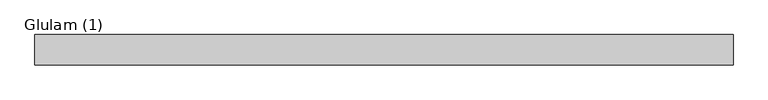
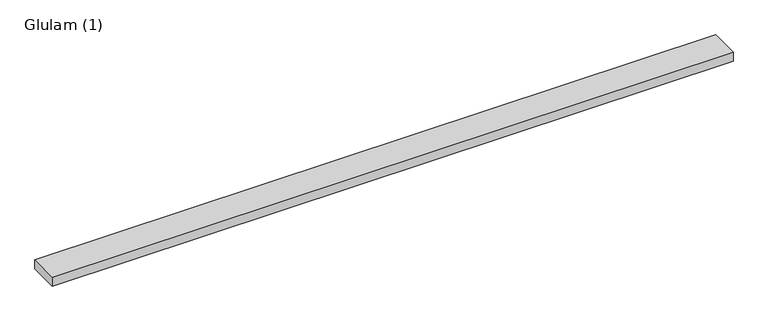
"""IFC4 building model written with IfcOpenShell, lengths in millimetres: beam geometry, Glulam (1)."""

from ifc_helpers import new_model, si_unit, frame, origin, place, context, project, spatial, polyline, outline, extrude, source, transform, mapped, element, save


def glulam_1_70b433c0(model_context):
    return source(origin(), model_context, "Body", "SweptSolid", [
        extrude(outline(polyline([(1597.8258535, 70.0), (1597.8258535, -70.0), (-1598.1741465, -70.0), (-1598.1741465, 70.0), (1597.8258535, 70.0)])), frame((0.0, 0.0, -22.5), z_axis=(0.0, 0.0, 1.0), x_axis=(1.0, 0.0, 0.0)), (0.0, 0.0, 1.0), 45.0),
    ])


if __name__ == "__main__":
    model = new_model("IFC4")
    model_context = context("Model", 3, world=origin())
    ifc_project = project(units=[si_unit("LENGTHUNIT", "METRE", prefix="MILLI")], contexts=[model_context])
    site = spatial("IfcSite", under=ifc_project)
    building = spatial("IfcBuilding", under=site)
    placement = place(None, origin())
    glulam_1_shape = glulam_1_70b433c0(model_context)
    element("IfcBeam", 1, ObjectType="Glulam (1)", at=placement, inside=building, context=model_context, shape_type="MappedRepresentation", body=[
        mapped(glulam_1_shape, transform((0.0, 0.0, 0.0), x_axis=(1.0, 0.0, 0.0), y_axis=(0.0, 1.0, 0.0), z_axis=(0.0, 0.0, 1.0))),
    ])
    save(model, "model.ifc")
